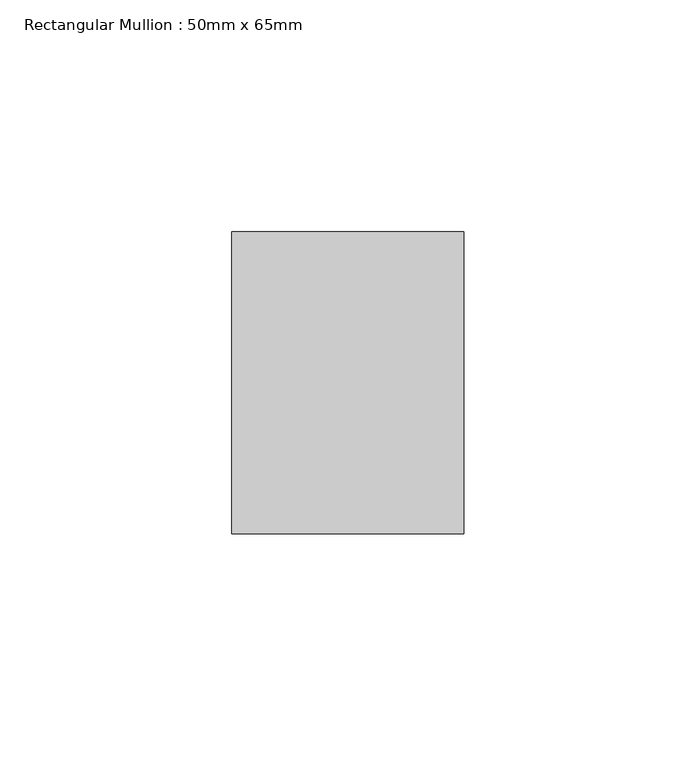
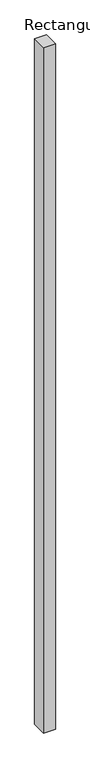
"""IFC4 building model written with IfcOpenShell, lengths in millimetres: member geometry, Rectangular Mullion : 50mm x 65mm."""

from ifc_helpers import new_model, si_unit, frame, origin, place, context, project, spatial, polyline, outline, extrude, source, transform, mapped, element, save


def rectangular_mullion_50mm_x_65mm_fed29220(model_context):
    return source(origin(), model_context, "Body", "SweptSolid", [
        extrude(outline(polyline([(25.0, 32.5), (25.0, -32.5), (-25.0, -32.5), (-25.0, 32.5), (25.0, 32.5)])), frame((0.0, 0.0, -3078.7100679), z_axis=(0.0, 0.0, 1.0), x_axis=(1.0, 0.0, 0.0)), (0.0, 0.0, 1.0), 3078.7100679),
    ])


if __name__ == "__main__":
    model = new_model("IFC4")
    model_context = context("Model", 3, world=origin())
    ifc_project = project(units=[si_unit("LENGTHUNIT", "METRE", prefix="MILLI")], contexts=[model_context])
    site = spatial("IfcSite", under=ifc_project)
    building = spatial("IfcBuilding", under=site)
    placement = place(None, origin())
    rectangular_mullion_50mm_x_65mm_shape = rectangular_mullion_50mm_x_65mm_fed29220(model_context)
    element("IfcMember", 1, ObjectType="Rectangular Mullion : 50mm x 65mm", at=placement, inside=building, context=model_context, shape_type="MappedRepresentation", body=[
        mapped(rectangular_mullion_50mm_x_65mm_shape, transform((0.0, 0.0, 0.0), x_axis=(1.0, 0.0, 0.0), y_axis=(0.0, 1.0, 0.0), z_axis=(0.0, 0.0, 1.0))),
    ])
    save(model, "model.ifc")
